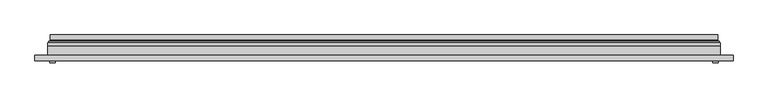
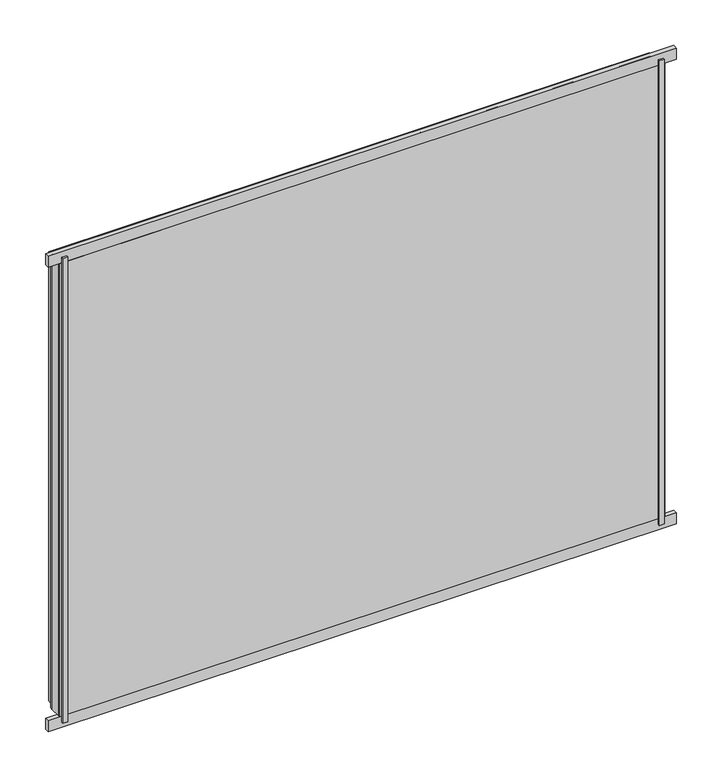
"""IFC4 building model written with IfcOpenShell, lengths in millimetres: plate geometry."""

import ifcopenshell
import ifcopenshell.guid

model = None  # the IFC model being written
_history = None  # IfcOwnerHistory: only IFC2X3 demands one
_inside = {}  # id of a spatial element -> (the spatial element, [elements in it])
_under = {}  # id of a project, library or spatial element -> (it, [spatial elements below it])
_declared = {}  # id of a project -> (the project, [libraries it declares])
_typed = {}  # id of a type object -> (the type object, [elements of that type])
_made_of = {}  # id of a material, layer set ... -> (it, [elements and type objects made of it])


def new_model(schema):
    """Start an empty IFC model of exactly this schema.

    Asked for "IFC4X3", IfcOpenShell would pick the latest addendum, in which some entities
    have other attributes; the version numbers below select the first issue.
    IFC2X3 requires an IfcOwnerHistory on every rooted entity: one is made here for all.
    """
    global model, _history
    if schema == "IFC4X3":
        model = ifcopenshell.file(schema_version=(4, 3, 0, 0))
    else:
        model = ifcopenshell.file(schema=schema)
    _inside.clear()
    _under.clear()
    _declared.clear()
    _typed.clear()
    _made_of.clear()
    _history = None
    if model.schema == "IFC2X3":
        org = make("IfcOrganization", Name="unknown")
        user = make(
            "IfcPersonAndOrganization",
            ThePerson=make("IfcPerson", FamilyName="unknown"),
            TheOrganization=org,
        )
        app = make(
            "IfcApplication",
            ApplicationDeveloper=org,
            Version="unknown",
            ApplicationFullName="unknown",
            ApplicationIdentifier="unknown",
        )
        _history = make(
            "IfcOwnerHistory",
            OwningUser=user,
            OwningApplication=app,
            ChangeAction="ADDED",
            CreationDate=0,
        )
    return model


def make(cls, **values):
    """One entity of the class cls with the attributes given. An attribute that is None is left unset."""
    return model.create_entity(
        cls, **{name: value for name, value in values.items() if value is not None}
    )


def rooted(cls, **values):
    """An entity with a GlobalId (a new one), such as an element, a storey or a relation."""
    return make(cls, GlobalId=ifcopenshell.guid.new(), OwnerHistory=_history, **values)


def si_unit(unit_type, name, prefix=None):
    """IfcSIUnit, for example si_unit("LENGTHUNIT", "METRE", prefix="MILLI")."""
    return make("IfcSIUnit", UnitType=unit_type, Prefix=prefix, Name=name)


def assignment(units):
    """IfcUnitAssignment: the units of a project."""
    return None if units is None else make("IfcUnitAssignment", Units=units)


def point(xyz):
    """IfcCartesianPoint."""
    return None if xyz is None else make("IfcCartesianPoint", Coordinates=xyz)


def direction(xyz):
    """IfcDirection."""
    return None if xyz is None else make("IfcDirection", DirectionRatios=xyz)


def frame(location, z_axis=None, x_axis=None):
    """IfcAxis2Placement3D, a coordinate frame: its origin and axes. An axis left out is left unset."""
    return make(
        "IfcAxis2Placement3D",
        Location=point(location),
        Axis=direction(z_axis),
        RefDirection=direction(x_axis),
    )


def origin():
    """The frame at (0, 0, 0) with its axes left unset."""
    return frame((0.0, 0.0, 0.0))


def origin_with_axes():
    """The frame at (0, 0, 0) with the z axis (0, 0, 1) and the x axis (1, 0, 0) written out."""
    return frame((0.0, 0.0, 0.0), z_axis=(0.0, 0.0, 1.0), x_axis=(1.0, 0.0, 0.0))


def place(relative_to, where):
    """IfcLocalPlacement: puts the frame where relative to a parent placement (None: the world)."""
    return make(
        "IfcLocalPlacement", PlacementRelTo=relative_to, RelativePlacement=where
    )


def context(
    kind, dimensions, precision=None, world=None, true_north=None, identifier=None
):
    """IfcGeometricRepresentationContext, for example the 3D "Model" context."""
    return make(
        "IfcGeometricRepresentationContext",
        ContextIdentifier=identifier,
        ContextType=kind,
        CoordinateSpaceDimension=dimensions,
        Precision=precision,
        WorldCoordinateSystem=world,
        TrueNorth=true_north,
    )


def project(units=None, contexts=None):
    """IfcProject with its units and contexts."""
    return rooted(
        "IfcProject",
        Name="project",
        RepresentationContexts=contexts,
        UnitsInContext=assignment(units),
    )


def spatial(cls, under=None, at=None, **own):
    """A site, building, storey or space (cls), placed at a placement, below another one or the project."""
    s = rooted(cls, ObjectPlacement=at, **own)
    if under is not None:
        _under.setdefault(under.id(), (under, []))[1].append(s)
    return s


def polyline(points):
    """IfcPolyline through the points."""
    return make("IfcPolyline", Points=[point(p) for p in points])


def ellipse_curve(where, semi_axis1, semi_axis2):
    """IfcEllipse in the frame where."""
    return make(
        "IfcEllipse", Position=where, SemiAxis1=semi_axis1, SemiAxis2=semi_axis2
    )


def outline(outer, holes=None, kind="AREA"):
    """IfcArbitraryClosedProfileDef: a profile drawn as a closed curve; with holes, ...WithVoids."""
    if holes is None:
        return make("IfcArbitraryClosedProfileDef", ProfileType=kind, OuterCurve=outer)
    return make(
        "IfcArbitraryProfileDefWithVoids",
        ProfileType=kind,
        OuterCurve=outer,
        InnerCurves=holes,
    )


def extrude(swept, where, along, depth):
    """IfcExtrudedAreaSolid: the profile swept, set in the frame where, extruded along a direction by depth."""
    return make(
        "IfcExtrudedAreaSolid",
        SweptArea=swept,
        Position=where,
        ExtrudedDirection=direction(along),
        Depth=depth,
    )


def shape(context_of_items, identifier, shape_type, items):
    """IfcShapeRepresentation: the items that make up one representation, for example the "Body"."""
    return make(
        "IfcShapeRepresentation",
        ContextOfItems=context_of_items,
        RepresentationIdentifier=identifier,
        RepresentationType=shape_type,
        Items=items,
    )


def source(mapping_origin, context_of_items, identifier, shape_type, items):
    """IfcRepresentationMap: a shape defined once, which mapped items show again and again."""
    return make(
        "IfcRepresentationMap",
        MappingOrigin=mapping_origin,
        MappedRepresentation=shape(context_of_items, identifier, shape_type, items),
    )


def transform(
    local_origin,
    x_axis=None,
    y_axis=None,
    z_axis=None,
    scale=None,
    scale2=None,
    scale3=None,
    uniform=True,
):
    """IfcCartesianTransformationOperator3D, or its non-uniform kind. x_axis, y_axis, z_axis: its Axis1, 2, 3."""
    if uniform:
        return make(
            "IfcCartesianTransformationOperator3D",
            Axis1=direction(x_axis),
            Axis2=direction(y_axis),
            LocalOrigin=point(local_origin),
            Scale=scale,
            Axis3=direction(z_axis),
        )
    return make(
        "IfcCartesianTransformationOperator3DnonUniform",
        Axis1=direction(x_axis),
        Axis2=direction(y_axis),
        LocalOrigin=point(local_origin),
        Scale=scale,
        Axis3=direction(z_axis),
        Scale2=scale2,
        Scale3=scale3,
    )


def mapped(mapping_source, mapping_target):
    """IfcMappedItem: shows the shape of a source again, moved by a transform."""
    return make(
        "IfcMappedItem", MappingSource=mapping_source, MappingTarget=mapping_target
    )


def made_of(thing, what):
    """Note that an element or type object is made of a material, layer set ...; save() writes the relation."""
    if what is not None:
        _made_of.setdefault(what.id(), (what, []))[1].append(thing)
    return thing


def element(
    cls,
    number,
    at=None,
    inside=None,
    cuts=None,
    type_object=None,
    material=None,
    context=None,
    identifier="Body",
    shape_type=None,
    held_by="IfcProductDefinitionShape",
    body=None,
    shapes=None,
    **own,
):
    """One element of the class cls, such as IfcWall. Its Tag is "e" and its number.

    at: its placement. inside: the storey or other place that contains it. cuts: it is an
    opening in that element (IfcRelVoidsElement). A single representation is given by context,
    identifier, shape_type and body (its items); several are given by shapes. held_by: the class
    of the entity that holds the representations. save() writes the other relations.
    """
    e = rooted(cls, Tag="e%d" % number, ObjectPlacement=at, **own)
    if body is not None:
        shapes = [shape(context, identifier, shape_type, body)]
    if shapes is not None:
        e.Representation = make(held_by, Representations=shapes)
    if inside is not None:
        _inside.setdefault(inside.id(), (inside, []))[1].append(e)
    if cuts is not None:
        rooted(
            "IfcRelVoidsElement", RelatingBuildingElement=cuts, RelatedOpeningElement=e
        )
    if type_object is not None:
        _typed.setdefault(type_object.id(), (type_object, []))[1].append(e)
    return made_of(e, material)


def aggregate(whole, parts):
    """IfcRelAggregates: a whole, such as a stair, and the parts it consists of."""
    return rooted("IfcRelAggregates", RelatingObject=whole, RelatedObjects=parts)


def save(model, path):
    """Write the relations noted so far, then the file.

    IfcRelAggregates (storeys below a building ...), IfcRelContainedInSpatialStructure (elements
    in a storey), IfcRelDefinesByType, IfcRelAssociatesMaterial and IfcRelDeclares: one each for
    every whole, place, type object, material and project.
    """
    for whole, parts in _under.values():
        aggregate(whole, parts)
    for where, things in _inside.values():
        rooted(
            "IfcRelContainedInSpatialStructure",
            RelatedElements=things,
            RelatingStructure=where,
        )
    for kind, things in _typed.values():
        rooted("IfcRelDefinesByType", RelatedObjects=things, RelatingType=kind)
    for what, things in _made_of.values():
        rooted("IfcRelAssociatesMaterial", RelatedObjects=things, RelatingMaterial=what)
    for by, libraries in _declared.values():
        rooted("IfcRelDeclares", RelatingContext=by, RelatedDefinitions=libraries)
    model.write(path)


def plane_surface(at):
    """IfcPlane: the flat surface through the origin of the frame at, square to its z axis."""
    return make("IfcPlane", Position=at)


def cylinder_surface(at, radius):
    """IfcCylindricalSurface: all points at the distance radius from the z axis of the frame at."""
    return make("IfcCylindricalSurface", Position=at, Radius=radius)


def revolved_surface(curve, axis_point, axis_direction):
    """IfcSurfaceOfRevolution: the curve turned about the line through axis_point along axis_direction."""
    return make(
        "IfcSurfaceOfRevolution",
        SweptCurve=make("IfcArbitraryOpenProfileDef", ProfileType="CURVE", Curve=curve),
        AxisPosition=make("IfcAxis1Placement", Location=point(axis_point), Axis=direction(axis_direction)),
    )


def advanced_brep(points, edges, surfaces, faces):
    """IfcAdvancedBrep: a solid bounded by faces that lie on surfaces and meet in shared edges.

    An edge is (start, end): straight between two places in points (the first is 0);
    or (start, end, curve); or (start, end, curve, False) where it runs against its curve.
    A face is (place in surfaces, loops), or (place, loops, False) where it looks against
    its surface's normal. A loop lists edges by number (the first is 1), with a minus sign
    where the edge is run from its end to its start. The first loop is the outer one.
    """
    corners = [point(p) for p in points]
    vertices = [make("IfcVertexPoint", VertexGeometry=c) for c in corners]
    made = []
    for start, end, *more in edges:
        made.append(
            make(
                "IfcEdgeCurve",
                EdgeStart=vertices[start],
                EdgeEnd=vertices[end],
                EdgeGeometry=more[0] if more else make("IfcPolyline", Points=[corners[start], corners[end]]),
                SameSense=more[1] if len(more) > 1 else True,
            )
        )
    hull = []
    for where, loops, *sense in faces:
        bounds = []
        for j, loop in enumerate(loops):
            ring = [make("IfcOrientedEdge", EdgeElement=made[abs(k) - 1], Orientation=k > 0) for k in loop]
            bounds.append(
                make(
                    "IfcFaceOuterBound" if j == 0 else "IfcFaceBound",
                    Bound=make("IfcEdgeLoop", EdgeList=ring),
                    Orientation=True,
                )
            )
        hull.append(make("IfcAdvancedFace", Bounds=bounds, FaceSurface=surfaces[where], SameSense=sense[0] if sense else True))
    return make("IfcAdvancedBrep", Outer=make("IfcClosedShell", CfsFaces=hull))


def plate_53c39707(model_context):
    return source(origin(), model_context, "Body", "SolidModel", [
        extrude(outline(polyline([(587.5, -23.0), (597.5, -23.0), (597.5, -27.0), (587.5, -27.0), (587.5, -23.0)])), origin_with_axes(), (0.0, 0.0, 1.0), 975.0),
        extrude(outline(polyline([(-587.5, -23.0), (-587.5, -27.0), (-597.5, -27.0), (-597.5, -23.0), (-587.5, -23.0)])), origin_with_axes(), (0.0, 0.0, 1.0), 975.0),
        extrude(outline(polyline([(624.0, -23.0), (-624.0, -23.0), (-624.0, -13.51), (624.0, -13.51), (624.0, -23.0)])), frame((0.0, 0.0, -11.5), z_axis=(0.0, 0.0, 1.0), x_axis=(1.0, 0.0, 0.0)), (0.0, 0.0, 1.0), 23.0),
        extrude(outline(polyline([(624.0, -23.0), (-624.0, -23.0), (-624.0, -13.51), (624.0, -13.51), (624.0, -23.0)])), frame((0.0, 0.0, 963.5), z_axis=(0.0, 0.0, 1.0), x_axis=(1.0, 0.0, 0.0)), (0.0, 0.0, 1.0), 23.0),
        extrude(outline(polyline([(11.5, -601.0), (11.5, 601.0), (963.5, 601.0), (963.5, -601.0), (11.5, -601.0)]), holes=[polyline([(33.5, 579.0), (33.5, -579.0), (941.5, -579.0), (941.5, 579.0), (33.5, 579.0)])]), frame((0.0, -17.0, 0.0), z_axis=(0.0, 1.0, 0.0), x_axis=(0.0, 0.0, 1.0)), (0.0, 0.0, 1.0), 20.0),
        extrude(outline(polyline([(33.5, -579.0), (33.5, 579.0), (941.5, 579.0), (941.5, -579.0), (33.5, -579.0)]), holes=[polyline([(38.5, 574.0), (38.5, -574.0), (936.5, -574.0), (936.5, 574.0), (38.5, 574.0)])]), frame((0.0, -17.0, 0.0), z_axis=(0.0, 1.0, 0.0), x_axis=(0.0, 0.0, 1.0)), (0.0, 0.0, 1.0), 20.0),
        extrude(outline(polyline([(601.0, 9.0), (601.0, 3.0), (-601.0, 3.0), (-601.0, 9.0), (601.0, 9.0)])), frame((0.0, 0.0, 11.5), z_axis=(0.0, 0.0, 1.0), x_axis=(1.0, 0.0, 0.0)), (0.0, 0.0, 1.0), 952.0),
        extrude(outline(polyline([(-601.0, -23.0), (-601.0, -17.0), (601.0, -17.0), (601.0, -23.0), (-601.0, -23.0)])), frame((0.0, 0.0, 11.5), z_axis=(0.0, 0.0, 1.0), x_axis=(1.0, 0.0, 0.0)), (0.0, 0.0, 1.0), 952.0),
        advanced_brep(
        [(-596.5, 23.0, 16.0), (596.5, 23.0, 16.0), (596.5, 13.9230471, 16.0), (-596.5, 13.9230471, 16.0), (-587.5, 12.9110883, 25.0), (587.5, 12.9110883, 25.0), (587.5, 23.0, 25.0), (-587.5, 23.0, 25.0), (596.5, 23.0, 959.0), (596.5, 13.9230471, 959.0), (587.5, 12.9110883, 950.0), (587.5, 23.0, 950.0), (-596.5, 23.0, 959.0), (-596.5, 13.9230471, 959.0), (-587.5, 12.9110883, 950.0), (-587.5, 23.0, 950.0), (-597.7540757, 9.0, 14.7459243), (597.7540757, 9.0, 14.7459243), (597.7540757, 9.0, 960.2540757), (-597.7540757, 9.0, 960.2540757), (587.2, 9.0, 25.3), (-587.2, 9.0, 25.3), (-587.2, 9.0, 949.7), (587.2, 9.0, 949.7), (-586.5625, 11.2166581, 25.9375), (586.5625, 11.2166581, 25.9375), (-598.0737576, 11.9689955, 14.4262425), (598.0737576, 11.9689955, 14.4262425), (586.5625, 11.2166581, 949.0625), (598.0737576, 11.9689955, 960.5737575), (-586.5625, 11.2166581, 949.0625), (-598.0737576, 11.9689955, 960.5737575)],
        [
            (0, 1),
            (1, 2),
            (2, 3),
            (3, 0),
            (4, 5),
            (5, 6),
            (6, 7),
            (7, 4),
            (1, 8),
            (8, 9),
            (9, 2),
            (5, 10),
            (10, 11),
            (11, 6),
            (8, 12),
            (12, 13),
            (13, 9),
            (10, 14),
            (14, 15),
            (15, 11),
            (16, 17),
            (17, 18),
            (18, 19),
            (19, 16),
            (20, 21),
            (21, 22),
            (22, 23),
            (23, 20),
            (12, 0),
            (3, 13),
            (15, 7),
            (14, 4),
            (24, 25),
            (25, 5, ellipse_curve(frame((585.5, 12.9110883, 27.0), z_axis=(0.7071067811865475, 0.0, 0.7071067811865475), x_axis=(0.7071067811865476, 0.0, -0.7071067811865474)), 2.8284271, 2.0)),
            (4, 24, ellipse_curve(frame((-585.5, 12.9110883, 27.0), z_axis=(-0.7071067811865475, 0.0, 0.7071067811865475), x_axis=(0.7071067811865476, 0.0, 0.7071067811865474)), 2.8284271, 2.0)),
            (20, 25, ellipse_curve(frame((587.2, 10.2, 25.3), z_axis=(-0.7071067811865475, 0.0, -0.7071067811865475), x_axis=(-0.7071067811865476, 0.0, 0.7071067811865474)), 1.6970563, 1.2)),
            (24, 21, ellipse_curve(frame((-587.2, 10.2, 25.3), z_axis=(0.7071067811865475, 0.0, -0.7071067811865475), x_axis=(-0.7071067811865476, 0.0, -0.7071067811865474)), 1.6970563, 1.2)),
            (26, 27),
            (27, 17, ellipse_curve(frame((597.7540757, 10.5034569, 14.7459243), z_axis=(-0.7071067811865475, 0.0, -0.7071067811865475), x_axis=(-0.7071067811865476, 0.0, 0.7071067811865474)), 2.1213203, 1.5)),
            (16, 26, ellipse_curve(frame((-597.7540757, 10.5034569, 14.7459243), z_axis=(0.7071067811865475, 0.0, -0.7071067811865475), x_axis=(-0.7071067811865476, 0.0, -0.7071067811865474)), 2.1213203, 1.5)),
            (25, 28),
            (28, 10, ellipse_curve(frame((585.5, 12.9110883, 948.0), z_axis=(-0.7071067811865475, 0.0, 0.7071067811865475), x_axis=(0.7071067811865474, 0.0, 0.7071067811865476)), 2.8284271, 2.0)),
            (23, 28, ellipse_curve(frame((587.2, 10.2, 949.7), z_axis=(0.7071067811865475, 0.0, -0.7071067811865475), x_axis=(-0.7071067811865474, 0.0, -0.7071067811865476)), 1.6970563, 1.2)),
            (27, 29),
            (29, 18, ellipse_curve(frame((597.7540757, 10.5034569, 960.2540757), z_axis=(0.7071067811865475, 0.0, -0.7071067811865475), x_axis=(-0.7071067811865474, 0.0, -0.7071067811865476)), 2.1213203, 1.5)),
            (28, 30),
            (30, 14, ellipse_curve(frame((-585.5, 12.9110883, 948.0), z_axis=(-0.7071067811865475, 0.0, -0.7071067811865475), x_axis=(-0.7071067811865476, 0.0, 0.7071067811865474)), 2.8284271, 2.0)),
            (22, 30, ellipse_curve(frame((-587.2, 10.2, 949.7), z_axis=(0.7071067811865475, 0.0, 0.7071067811865475), x_axis=(0.7071067811865476, 0.0, -0.7071067811865474)), 1.6970563, 1.2)),
            (29, 31),
            (31, 19, ellipse_curve(frame((-597.7540757, 10.5034569, 960.2540757), z_axis=(0.7071067811865475, 0.0, 0.7071067811865475), x_axis=(0.7071067811865476, 0.0, -0.7071067811865474)), 2.1213203, 1.5)),
            (30, 24),
            (31, 26),
            (2, 27, ellipse_curve(frame((598.5, 13.9230471, 14.0), z_axis=(0.7071067811865475, 0.0, 0.7071067811865475), x_axis=(0.7071067811865476, 0.0, -0.7071067811865474)), 2.8284271, 2.0)),
            (26, 3, ellipse_curve(frame((-598.5, 13.9230471, 14.0), z_axis=(-0.7071067811865475, 0.0, 0.7071067811865475), x_axis=(0.7071067811865476, 0.0, 0.7071067811865474)), 2.8284271, 2.0)),
            (9, 29, ellipse_curve(frame((598.5, 13.9230471, 961.0), z_axis=(-0.7071067811865475, 0.0, 0.7071067811865475), x_axis=(0.7071067811865474, 0.0, 0.7071067811865476)), 2.8284271, 2.0)),
            (13, 31, ellipse_curve(frame((-598.5, 13.9230471, 961.0), z_axis=(-0.7071067811865475, 0.0, -0.7071067811865475), x_axis=(-0.7071067811865476, 0.0, 0.7071067811865474)), 2.8284271, 2.0)),
        ],
        [
            plane_surface(frame((-596.5, 13.9230471, 16.0), z_axis=(0.0, 0.0, -1.0), x_axis=(1.0, 0.0, 0.0))),
            plane_surface(frame((-587.5, 23.0, 25.0), z_axis=(0.0, 0.0, 1.0), x_axis=(1.0, 0.0, 0.0))),
            plane_surface(frame((596.5, 13.9230471, 16.0), z_axis=(1.0, 0.0, 0.0), x_axis=(0.0, 0.0, 1.0))),
            plane_surface(frame((587.5, 23.0, 25.0), z_axis=(-1.0, 0.0, 0.0), x_axis=(0.0, 0.0, 1.0))),
            plane_surface(frame((596.5, 13.9230471, 959.0), z_axis=(0.0, 0.0, 1.0), x_axis=(-1.0, 0.0, 0.0))),
            plane_surface(frame((587.5, 23.0, 950.0), z_axis=(0.0, 0.0, -1.0), x_axis=(-1.0, 0.0, 0.0))),
            plane_surface(frame((-587.2, 9.0, 949.7), z_axis=(0.0, -1.0, 0.0), x_axis=(0.0, 0.0, -1.0))),
            plane_surface(frame((-596.5, 13.9230471, 959.0), z_axis=(-1.0, 0.0, 0.0), x_axis=(0.0, 0.0, -1.0))),
            plane_surface(frame((-596.5, 23.0, 959.0), z_axis=(0.0, 1.0, 0.0), x_axis=(0.0, 0.0, -1.0))),
            plane_surface(frame((-587.5, 23.0, 950.0), z_axis=(1.0, 0.0, 0.0), x_axis=(0.0, 0.0, -1.0))),
            revolved_surface(polyline([(587.5, 10.9110883, 27.0), (-587.5, 10.9110883, 27.0)]), (-601.0, 12.9110883, 27.0), (1.0, 0.0, 0.0)),
            cylinder_surface(frame((-601.0, 10.2, 25.3), z_axis=(-1.0, 0.0, 0.0), x_axis=(0.0, -1.0, 0.0)), 1.2),
            cylinder_surface(frame((-601.0, 10.5034569, 14.7459243), z_axis=(-1.0, 0.0, 0.0), x_axis=(0.0, -1.0, 0.0)), 1.5),
            revolved_surface(polyline([(585.5, 10.9110883, 950.0), (585.5, 10.9110883, 25.0)]), (585.5, 12.9110883, 11.5), (0.0, 0.0, 1.0)),
            cylinder_surface(frame((587.2, 10.2, 11.5), z_axis=(0.0, 0.0, -1.0), x_axis=(0.0, -1.0, 0.0)), 1.2),
            cylinder_surface(frame((597.7540757, 10.5034569, 11.5), z_axis=(0.0, 0.0, -1.0), x_axis=(0.0, -1.0, 0.0)), 1.5),
            revolved_surface(polyline([(-587.5, 10.9110883, 948.0), (587.5, 10.9110883, 948.0)]), (601.0, 12.9110883, 948.0), (-1.0, 0.0, 0.0)),
            cylinder_surface(frame((601.0, 10.2, 949.7), z_axis=(1.0, 0.0, 0.0), x_axis=(0.0, -1.0, 0.0)), 1.2),
            cylinder_surface(frame((601.0, 10.5034569, 960.2540757), z_axis=(1.0, 0.0, 0.0), x_axis=(0.0, -1.0, 0.0)), 1.5),
            revolved_surface(polyline([(-585.5, 10.9110883, 25.0), (-585.5, 10.9110883, 950.0)]), (-585.5, 12.9110883, 963.5), (0.0, 0.0, -1.0)),
            cylinder_surface(frame((-587.2, 10.2, 963.5), z_axis=(0.0, 0.0, 1.0), x_axis=(0.0, -1.0, 0.0)), 1.2),
            cylinder_surface(frame((-597.7540757, 10.5034569, 963.5), z_axis=(0.0, 0.0, 1.0), x_axis=(0.0, -1.0, 0.0)), 1.5),
            revolved_surface(polyline([(600.4999999825018, 11.9230471, 14.0), (-600.4999999825018, 11.9230471, 14.0)]), (-601.0, 13.9230471, 14.0), (1.0, 0.0, 0.0)),
            revolved_surface(polyline([(598.5, 11.9230471, 962.9999999825018), (598.5, 11.9230471, 12.000000017498198)]), (598.5, 13.9230471, 11.5), (0.0, 0.0, 1.0)),
            revolved_surface(polyline([(-600.4999999825018, 11.9230471, 961.0), (600.4999999825018, 11.9230471, 961.0)]), (601.0, 13.9230471, 961.0), (-1.0, 0.0, 0.0)),
            revolved_surface(polyline([(-598.5, 11.9230471, 12.000000017498223), (-598.5, 11.9230471, 962.9999999825018)]), (-598.5, 13.9230471, 963.5), (0.0, 0.0, -1.0)),
        ],
        [
            (0, [[1, 2, 3, 4]]),
            (1, [[5, 6, 7, 8]]),
            (2, [[9, 10, 11, -2]]),
            (3, [[12, 13, 14, -6]]),
            (4, [[15, 16, 17, -10]]),
            (5, [[18, 19, 20, -13]]),
            (6, [[21, 22, 23, 24], [25, 26, 27, 28]]),
            (7, [[29, -4, 30, -16]]),
            (8, [[-1, -29, -15, -9], [-7, -14, -20, 31]]),
            (9, [[32, -8, -31, -19]]),
            (10, [[33, 34, -5, 35]]),
            (11, [[-25, 36, -33, 37]]),
            (12, [[38, 39, -21, 40]]),
            (13, [[41, 42, -12, -34]]),
            (14, [[-28, 43, -41, -36]]),
            (15, [[44, 45, -22, -39]]),
            (16, [[46, 47, -18, -42]]),
            (17, [[-27, 48, -46, -43]]),
            (18, [[49, 50, -23, -45]]),
            (19, [[51, -35, -32, -47]]),
            (20, [[-26, -37, -51, -48]]),
            (21, [[52, -40, -24, -50]]),
            (22, [[-3, 53, -38, 54]]),
            (23, [[-11, 55, -44, -53]]),
            (24, [[-17, 56, -49, -55]]),
            (25, [[-30, -54, -52, -56]]),
        ],
    ),
    ])


if __name__ == "__main__":
    model = new_model("IFC4")
    model_context = context("Model", 3, world=origin())
    ifc_project = project(units=[si_unit("LENGTHUNIT", "METRE", prefix="MILLI")], contexts=[model_context])
    site = spatial("IfcSite", under=ifc_project)
    building = spatial("IfcBuilding", under=site)
    placement = place(None, origin())
    plate_shape = plate_53c39707(model_context)
    element("IfcPlate", 1, at=placement, inside=building, context=model_context, shape_type="MappedRepresentation", body=[
        mapped(plate_shape, transform((0.0, 0.0, 0.0), x_axis=(1.0, 0.0, 0.0), y_axis=(0.0, 1.0, 0.0), z_axis=(0.0, 0.0, 1.0))),
    ])
    save(model, "model.ifc")
